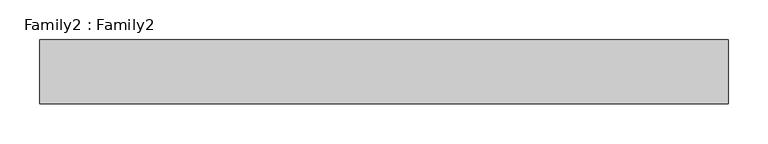
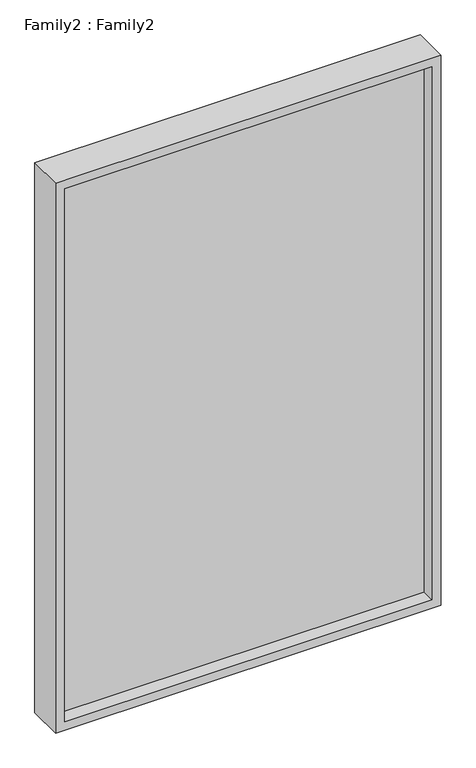
"""IFC4 building model written with IfcOpenShell, lengths in millimetres: plate geometry, Family2 : Family2."""

from ifc_helpers import new_model, si_unit, frame, origin, place, context, project, spatial, polyline, outline, extrude, source, transform, mapped, element, save


def family2_family2_d81490b8(model_context):
    return source(origin(), model_context, "Body", "SweptSolid", [
        extrude(outline(polyline([(1300.0, -431.25), (0.0, -431.25), (0.0, 431.25), (1300.0, 431.25), (1300.0, -431.25)]), holes=[polyline([(20.0, -411.25), (1280.0, -411.25), (1280.0, 411.25), (20.0, 411.25), (20.0, -411.25)])]), frame((0.0, -40.0, 0.0), z_axis=(0.0, 1.0, 0.0), x_axis=(0.0, 0.0, 1.0)), (0.0, 0.0, 1.0), 80.0),
        extrude(outline(polyline([(411.25, -10.0), (-411.25, -10.0), (-411.25, 10.0), (411.25, 10.0), (411.25, -10.0)])), frame((0.0, 0.0, 20.0), z_axis=(0.0, 0.0, 1.0), x_axis=(1.0, 0.0, 0.0)), (0.0, 0.0, 1.0), 1260.0),
    ])


if __name__ == "__main__":
    model = new_model("IFC4")
    model_context = context("Model", 3, world=origin())
    ifc_project = project(units=[si_unit("LENGTHUNIT", "METRE", prefix="MILLI")], contexts=[model_context])
    site = spatial("IfcSite", under=ifc_project)
    building = spatial("IfcBuilding", under=site)
    placement = place(None, origin())
    family2_family2_shape = family2_family2_d81490b8(model_context)
    element("IfcPlate", 1, ObjectType="Family2 : Family2", at=placement, inside=building, context=model_context, shape_type="MappedRepresentation", body=[
        mapped(family2_family2_shape, transform((0.0, 0.0, 0.0), x_axis=(1.0, 0.0, 0.0), y_axis=(0.0, 1.0, 0.0), z_axis=(0.0, 0.0, 1.0))),
    ])
    save(model, "model.ifc")
